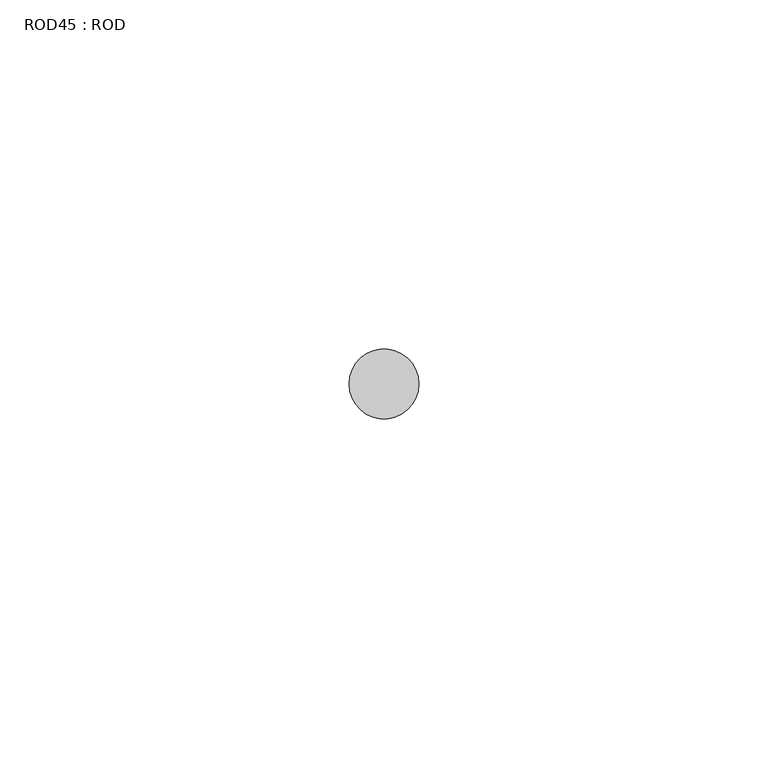
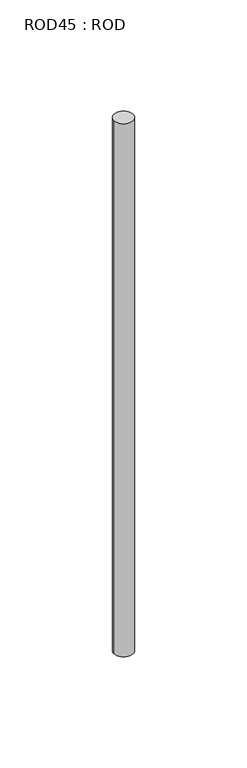
"""IFC4 building model written with IfcOpenShell, lengths in millimetres: proxy geometry, ROD45 : ROD."""

import ifcopenshell
import ifcopenshell.guid

model = None  # the IFC model being written
_history = None  # IfcOwnerHistory: only IFC2X3 demands one
_inside = {}  # id of a spatial element -> (the spatial element, [elements in it])
_under = {}  # id of a project, library or spatial element -> (it, [spatial elements below it])
_declared = {}  # id of a project -> (the project, [libraries it declares])
_typed = {}  # id of a type object -> (the type object, [elements of that type])
_made_of = {}  # id of a material, layer set ... -> (it, [elements and type objects made of it])


def new_model(schema):
    """Start an empty IFC model of exactly this schema.

    Asked for "IFC4X3", IfcOpenShell would pick the latest addendum, in which some entities
    have other attributes; the version numbers below select the first issue.
    IFC2X3 requires an IfcOwnerHistory on every rooted entity: one is made here for all.
    """
    global model, _history
    if schema == "IFC4X3":
        model = ifcopenshell.file(schema_version=(4, 3, 0, 0))
    else:
        model = ifcopenshell.file(schema=schema)
    _inside.clear()
    _under.clear()
    _declared.clear()
    _typed.clear()
    _made_of.clear()
    _history = None
    if model.schema == "IFC2X3":
        org = make("IfcOrganization", Name="unknown")
        user = make(
            "IfcPersonAndOrganization",
            ThePerson=make("IfcPerson", FamilyName="unknown"),
            TheOrganization=org,
        )
        app = make(
            "IfcApplication",
            ApplicationDeveloper=org,
            Version="unknown",
            ApplicationFullName="unknown",
            ApplicationIdentifier="unknown",
        )
        _history = make(
            "IfcOwnerHistory",
            OwningUser=user,
            OwningApplication=app,
            ChangeAction="ADDED",
            CreationDate=0,
        )
    return model


def make(cls, **values):
    """One entity of the class cls with the attributes given. An attribute that is None is left unset."""
    return model.create_entity(
        cls, **{name: value for name, value in values.items() if value is not None}
    )


def rooted(cls, **values):
    """An entity with a GlobalId (a new one), such as an element, a storey or a relation."""
    return make(cls, GlobalId=ifcopenshell.guid.new(), OwnerHistory=_history, **values)


def si_unit(unit_type, name, prefix=None):
    """IfcSIUnit, for example si_unit("LENGTHUNIT", "METRE", prefix="MILLI")."""
    return make("IfcSIUnit", UnitType=unit_type, Prefix=prefix, Name=name)


def assignment(units):
    """IfcUnitAssignment: the units of a project."""
    return None if units is None else make("IfcUnitAssignment", Units=units)


def point(xyz):
    """IfcCartesianPoint."""
    return None if xyz is None else make("IfcCartesianPoint", Coordinates=xyz)


def direction(xyz):
    """IfcDirection."""
    return None if xyz is None else make("IfcDirection", DirectionRatios=xyz)


def frame(location, z_axis=None, x_axis=None):
    """IfcAxis2Placement3D, a coordinate frame: its origin and axes. An axis left out is left unset."""
    return make(
        "IfcAxis2Placement3D",
        Location=point(location),
        Axis=direction(z_axis),
        RefDirection=direction(x_axis),
    )


def frame_2d(location, x_axis=None):
    """IfcAxis2Placement2D, a coordinate frame in the plane: its origin and x axis."""
    return make(
        "IfcAxis2Placement2D", Location=point(location), RefDirection=direction(x_axis)
    )


def origin():
    """The frame at (0, 0, 0) with its axes left unset."""
    return frame((0.0, 0.0, 0.0))


def place(relative_to, where):
    """IfcLocalPlacement: puts the frame where relative to a parent placement (None: the world)."""
    return make(
        "IfcLocalPlacement", PlacementRelTo=relative_to, RelativePlacement=where
    )


def context(
    kind, dimensions, precision=None, world=None, true_north=None, identifier=None
):
    """IfcGeometricRepresentationContext, for example the 3D "Model" context."""
    return make(
        "IfcGeometricRepresentationContext",
        ContextIdentifier=identifier,
        ContextType=kind,
        CoordinateSpaceDimension=dimensions,
        Precision=precision,
        WorldCoordinateSystem=world,
        TrueNorth=true_north,
    )


def project(units=None, contexts=None):
    """IfcProject with its units and contexts."""
    return rooted(
        "IfcProject",
        Name="project",
        RepresentationContexts=contexts,
        UnitsInContext=assignment(units),
    )


def spatial(cls, under=None, at=None, **own):
    """A site, building, storey or space (cls), placed at a placement, below another one or the project."""
    s = rooted(cls, ObjectPlacement=at, **own)
    if under is not None:
        _under.setdefault(under.id(), (under, []))[1].append(s)
    return s


def circle_curve(where, radius):
    """IfcCircle in the frame where."""
    return make("IfcCircle", Position=where, Radius=radius)


def trimmed(basis, trim1, trim2, sense, master):
    """IfcTrimmedCurve: the piece of a basis curve between two trims."""
    return make(
        "IfcTrimmedCurve",
        BasisCurve=basis,
        Trim1=trim1,
        Trim2=trim2,
        SenseAgreement=sense,
        MasterRepresentation=master,
    )


def segment(curve, same_sense, transition):
    """IfcCompositeCurveSegment."""
    return make(
        "IfcCompositeCurveSegment",
        Transition=transition,
        SameSense=same_sense,
        ParentCurve=curve,
    )


def composite_curve(segments, self_intersect=None):
    """IfcCompositeCurve: segments joined end to end."""
    return make("IfcCompositeCurve", Segments=segments, SelfIntersect=self_intersect)


def outline(outer, holes=None, kind="AREA"):
    """IfcArbitraryClosedProfileDef: a profile drawn as a closed curve; with holes, ...WithVoids."""
    if holes is None:
        return make("IfcArbitraryClosedProfileDef", ProfileType=kind, OuterCurve=outer)
    return make(
        "IfcArbitraryProfileDefWithVoids",
        ProfileType=kind,
        OuterCurve=outer,
        InnerCurves=holes,
    )


def extrude(swept, where, along, depth):
    """IfcExtrudedAreaSolid: the profile swept, set in the frame where, extruded along a direction by depth."""
    return make(
        "IfcExtrudedAreaSolid",
        SweptArea=swept,
        Position=where,
        ExtrudedDirection=direction(along),
        Depth=depth,
    )


def shape(context_of_items, identifier, shape_type, items):
    """IfcShapeRepresentation: the items that make up one representation, for example the "Body"."""
    return make(
        "IfcShapeRepresentation",
        ContextOfItems=context_of_items,
        RepresentationIdentifier=identifier,
        RepresentationType=shape_type,
        Items=items,
    )


def source(mapping_origin, context_of_items, identifier, shape_type, items):
    """IfcRepresentationMap: a shape defined once, which mapped items show again and again."""
    return make(
        "IfcRepresentationMap",
        MappingOrigin=mapping_origin,
        MappedRepresentation=shape(context_of_items, identifier, shape_type, items),
    )


def transform(
    local_origin,
    x_axis=None,
    y_axis=None,
    z_axis=None,
    scale=None,
    scale2=None,
    scale3=None,
    uniform=True,
):
    """IfcCartesianTransformationOperator3D, or its non-uniform kind. x_axis, y_axis, z_axis: its Axis1, 2, 3."""
    if uniform:
        return make(
            "IfcCartesianTransformationOperator3D",
            Axis1=direction(x_axis),
            Axis2=direction(y_axis),
            LocalOrigin=point(local_origin),
            Scale=scale,
            Axis3=direction(z_axis),
        )
    return make(
        "IfcCartesianTransformationOperator3DnonUniform",
        Axis1=direction(x_axis),
        Axis2=direction(y_axis),
        LocalOrigin=point(local_origin),
        Scale=scale,
        Axis3=direction(z_axis),
        Scale2=scale2,
        Scale3=scale3,
    )


def mapped(mapping_source, mapping_target):
    """IfcMappedItem: shows the shape of a source again, moved by a transform."""
    return make(
        "IfcMappedItem", MappingSource=mapping_source, MappingTarget=mapping_target
    )


def made_of(thing, what):
    """Note that an element or type object is made of a material, layer set ...; save() writes the relation."""
    if what is not None:
        _made_of.setdefault(what.id(), (what, []))[1].append(thing)
    return thing


def element(
    cls,
    number,
    at=None,
    inside=None,
    cuts=None,
    type_object=None,
    material=None,
    context=None,
    identifier="Body",
    shape_type=None,
    held_by="IfcProductDefinitionShape",
    body=None,
    shapes=None,
    **own,
):
    """One element of the class cls, such as IfcWall. Its Tag is "e" and its number.

    at: its placement. inside: the storey or other place that contains it. cuts: it is an
    opening in that element (IfcRelVoidsElement). A single representation is given by context,
    identifier, shape_type and body (its items); several are given by shapes. held_by: the class
    of the entity that holds the representations. save() writes the other relations.
    """
    e = rooted(cls, Tag="e%d" % number, ObjectPlacement=at, **own)
    if body is not None:
        shapes = [shape(context, identifier, shape_type, body)]
    if shapes is not None:
        e.Representation = make(held_by, Representations=shapes)
    if inside is not None:
        _inside.setdefault(inside.id(), (inside, []))[1].append(e)
    if cuts is not None:
        rooted(
            "IfcRelVoidsElement", RelatingBuildingElement=cuts, RelatedOpeningElement=e
        )
    if type_object is not None:
        _typed.setdefault(type_object.id(), (type_object, []))[1].append(e)
    return made_of(e, material)


def aggregate(whole, parts):
    """IfcRelAggregates: a whole, such as a stair, and the parts it consists of."""
    return rooted("IfcRelAggregates", RelatingObject=whole, RelatedObjects=parts)


def save(model, path):
    """Write the relations noted so far, then the file.

    IfcRelAggregates (storeys below a building ...), IfcRelContainedInSpatialStructure (elements
    in a storey), IfcRelDefinesByType, IfcRelAssociatesMaterial and IfcRelDeclares: one each for
    every whole, place, type object, material and project.
    """
    for whole, parts in _under.values():
        aggregate(whole, parts)
    for where, things in _inside.values():
        rooted(
            "IfcRelContainedInSpatialStructure",
            RelatedElements=things,
            RelatingStructure=where,
        )
    for kind, things in _typed.values():
        rooted("IfcRelDefinesByType", RelatedObjects=things, RelatingType=kind)
    for what, things in _made_of.values():
        rooted("IfcRelAssociatesMaterial", RelatedObjects=things, RelatingMaterial=what)
    for by, libraries in _declared.values():
        rooted("IfcRelDeclares", RelatingContext=by, RelatedDefinitions=libraries)
    model.write(path)


def rod45_rod_536b7496(model_context):
    return source(origin(), model_context, "Body", "SweptSolid", [
        extrude(outline(composite_curve([segment(trimmed(circle_curve(frame_2d((2779.7673324, -1114.6300853)), 5.0), [point((2774.7673324, -1114.6300853))], [point((2784.7673324, -1114.6300853))], False, "CARTESIAN"), True, "CONTINUOUS"), segment(trimmed(circle_curve(frame_2d((2779.7673324, -1114.6300853)), 5.0), [point((2784.7673324, -1114.6300853))], [point((2774.7673324, -1114.6300853))], False, "CARTESIAN"), True, "CONTINUOUS")], self_intersect=False)), frame((0.0, 0.0, -208.6608845), z_axis=(0.0, 0.0, 1.0), x_axis=(1.0, 0.0, 0.0)), (0.0, 0.0, 1.0), 298.9028972),
    ])


if __name__ == "__main__":
    model = new_model("IFC4")
    model_context = context("Model", 3, world=origin())
    ifc_project = project(units=[si_unit("LENGTHUNIT", "METRE", prefix="MILLI")], contexts=[model_context])
    site = spatial("IfcSite", under=ifc_project)
    building = spatial("IfcBuilding", under=site)
    placement = place(None, origin())
    rod45_rod_shape = rod45_rod_536b7496(model_context)
    element("IfcBuildingElementProxy", 1, Name="ROD45 : ROD", ObjectType="ROD45 : ROD", at=placement, inside=building, context=model_context, shape_type="MappedRepresentation", body=[
        mapped(rod45_rod_shape, transform((0.0, 0.0, 0.0), x_axis=(1.0, 0.0, 0.0), y_axis=(0.0, 1.0, 0.0), z_axis=(0.0, 0.0, 1.0))),
    ])
    save(model, "model.ifc")
